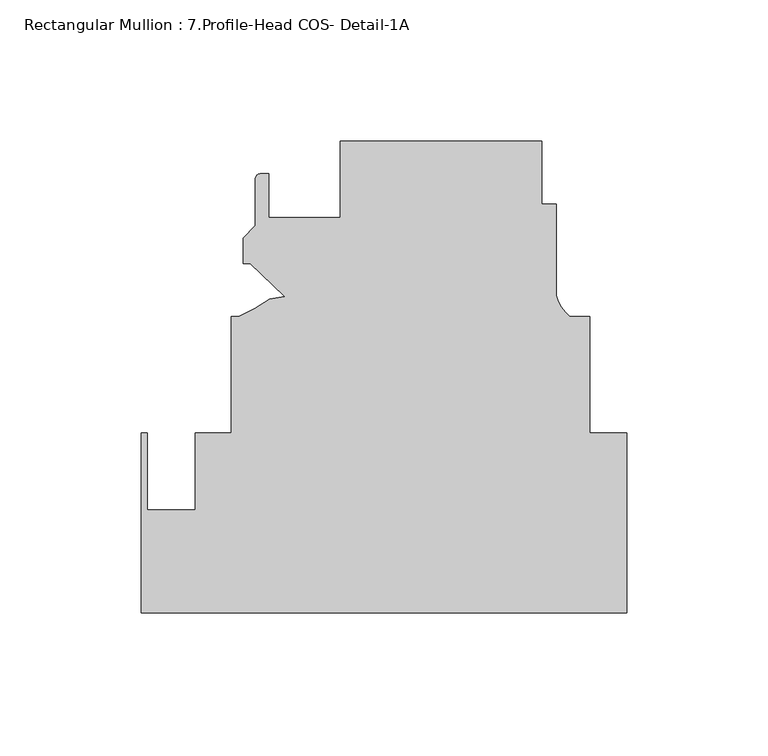
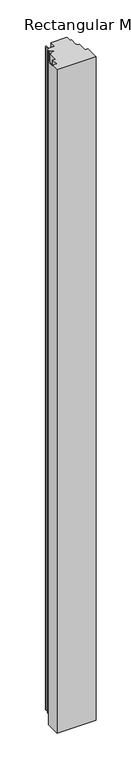
"""IFC4 building model written with IfcOpenShell, lengths in millimetres: member geometry, Rectangular Mullion : 7.Profile-Head COS- Detail-1A."""

from ifc_helpers import new_model, si_unit, point, frame, frame_2d, origin, place, context, project, spatial, polyline, circle_curve, trimmed, segment, composite_curve, outline, extrude, source, transform, mapped, element, save


def rectangular_mullion_7_profile_head_cos_detail_1a_9518cc37(model_context):
    return source(origin(), model_context, "Body", "SweptSolid", [
        extrude(outline(composite_curve([segment(polyline([(-29.993716, 166.6874997), (-29.993716, 144.4624997), (-24.913716, 144.4624997), (-24.913716, 112.0675123)]), True, "CONTINUOUS"), segment(trimmed(circle_curve(frame_2d((-11.6829023, 115.5946813)), 13.6928942), [point((-24.913716, 112.0675123))], [point((-20.0751512, 104.7749997))], True, "CARTESIAN"), True, "CONTINUOUS"), segment(polyline([(-20.0751512, 104.7749997), (-12.9296309, 104.7749997), (-12.9296309, 63.5254), (0.0, 63.5254), (0.0, 0.0), (-171.4499999, 0.0), (-171.4499999, 63.4999996), (-169.4179999, 63.4999996), (-169.4179999, 36.3401991), (-152.5173426, 36.3401991), (-152.5173426, 63.4999996), (-139.7010309, 63.4999996), (-139.7010309, 104.7749997), (-137.0039161, 104.7749997)]), True, "CONTINUOUS"), segment(trimmed(circle_curve(frame_2d((-158.9273579, 156.4307299)), 56.1155216), [point((-137.0039161, 104.7749997))], [point((-126.1709186, 110.8679441))], True, "CARTESIAN"), True, "CONTINUOUS"), segment(polyline([(-126.1709186, 110.8679441), (-120.734135, 111.8265957), (-132.9399161, 123.4511492), (-135.479916, 123.4511492), (-135.479916, 132.5514414), (-131.212716, 136.8186414), (-131.212716, 153.4231492)]), True, "CONTINUOUS"), segment(trimmed(circle_curve(frame_2d((-129.434716, 153.4231492)), 1.778), [point((-131.212716, 153.4231492))], [point((-129.434716, 155.2011492))], False, "CARTESIAN"), True, "CONTINUOUS"), segment(polyline([(-129.434716, 155.2011492), (-126.5137158, 155.2011492), (-126.5137158, 139.6999997), (-101.1137158, 139.6999997), (-101.1137158, 166.6874997), (-29.993716, 166.6874997)]), True, "CONTINUOUS")], self_intersect=False)), frame((0.0, 0.0, -3048.0), z_axis=(0.0, 0.0, 1.0), x_axis=(1.0, 0.0, 0.0)), (0.0, 0.0, 1.0), 3048.0),
    ])


if __name__ == "__main__":
    model = new_model("IFC4")
    model_context = context("Model", 3, world=origin())
    ifc_project = project(units=[si_unit("LENGTHUNIT", "METRE", prefix="MILLI")], contexts=[model_context])
    site = spatial("IfcSite", under=ifc_project)
    building = spatial("IfcBuilding", under=site)
    placement = place(None, origin())
    rectangular_mullion_7_profile_head_cos_detail_1a_shape = rectangular_mullion_7_profile_head_cos_detail_1a_9518cc37(model_context)
    element("IfcMember", 1, ObjectType="Rectangular Mullion : 7.Profile-Head COS- Detail-1A", at=placement, inside=building, context=model_context, shape_type="MappedRepresentation", body=[
        mapped(rectangular_mullion_7_profile_head_cos_detail_1a_shape, transform((0.0, 0.0, 0.0), x_axis=(1.0, 0.0, 0.0), y_axis=(0.0, 1.0, 0.0), z_axis=(0.0, 0.0, 1.0))),
    ])
    save(model, "model.ifc")
